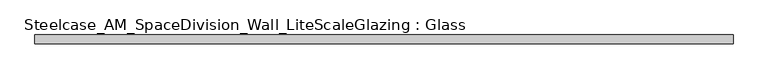
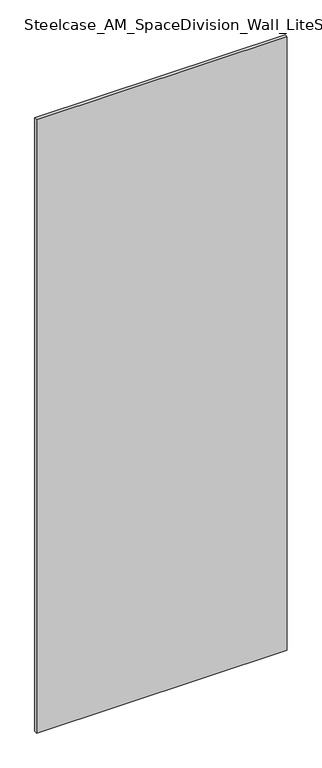
"""IFC4 building model written with IfcOpenShell, lengths in millimetres: plate geometry, Steelcase_AM_SpaceDivision_Wall_LiteScaleGlazing : Glass."""

from ifc_helpers import new_model, si_unit, origin, origin_with_axes, place, context, project, spatial, polyline, outline, extrude, source, transform, mapped, element, save


def steelcase_am_spacedivision_wall_litescaleglazing_glass_d660a3f4(model_context):
    return source(origin(), model_context, "Body", "SweptSolid", [
        extrude(outline(polyline([(-515.493, -6.349956), (-515.493, 6.3502015), (515.493, 6.3502015), (515.493, -6.349956), (-515.493, -6.349956)])), origin_with_axes(), (0.0, 0.0, 1.0), 2665.984),
    ])


if __name__ == "__main__":
    model = new_model("IFC4")
    model_context = context("Model", 3, world=origin())
    ifc_project = project(units=[si_unit("LENGTHUNIT", "METRE", prefix="MILLI")], contexts=[model_context])
    site = spatial("IfcSite", under=ifc_project)
    building = spatial("IfcBuilding", under=site)
    placement = place(None, origin())
    steelcase_am_spacedivision_wall_litescaleglazing_glass_shape = steelcase_am_spacedivision_wall_litescaleglazing_glass_d660a3f4(model_context)
    element("IfcPlate", 1, ObjectType="Steelcase_AM_SpaceDivision_Wall_LiteScaleGlazing : Glass", at=placement, inside=building, context=model_context, shape_type="MappedRepresentation", body=[
        mapped(steelcase_am_spacedivision_wall_litescaleglazing_glass_shape, transform((0.0, 0.0, 0.0), x_axis=(1.0, 0.0, 0.0), y_axis=(0.0, 1.0, 0.0), z_axis=(0.0, 0.0, 1.0))),
    ])
    save(model, "model.ifc")
